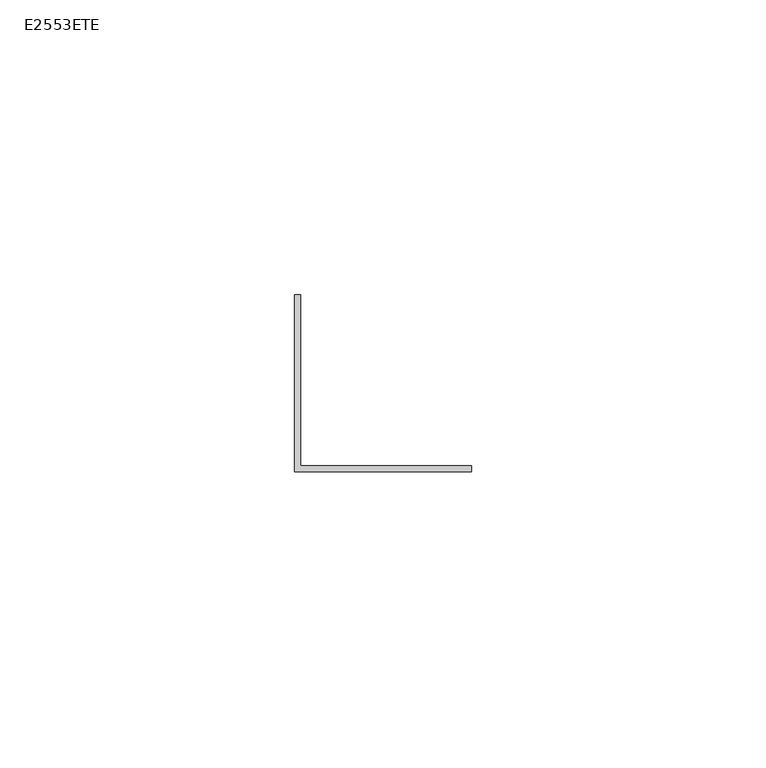
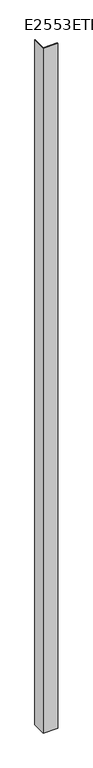
"""IFC4 building model written with IfcOpenShell, lengths in millimetres: proxy geometry, E2553ETE."""

from ifc_helpers import new_model, si_unit, origin, origin_with_axes, place, context, project, spatial, polyline, outline, extrude, source, transform, mapped, element, save


def e2553ete_bd80667c(model_context):
    return source(origin(), model_context, "Body", "SweptSolid", [
        extrude(outline(polyline([(-5.0, 25.0), (-4.0, 25.0), (-4.0, -4.0), (25.0, -4.0), (25.0, -5.0), (-5.0, -5.0), (-5.0, 25.0)])), origin_with_axes(), (0.0, 0.0, 1.0), 1500.0),
    ])


if __name__ == "__main__":
    model = new_model("IFC4")
    model_context = context("Model", 3, world=origin())
    ifc_project = project(units=[si_unit("LENGTHUNIT", "METRE", prefix="MILLI")], contexts=[model_context])
    site = spatial("IfcSite", under=ifc_project)
    building = spatial("IfcBuilding", under=site)
    placement = place(None, origin())
    e2553ete_shape = e2553ete_bd80667c(model_context)
    element("IfcBuildingElementProxy", 1, Name="E2553ETE", ObjectType="E2553ETE", at=placement, inside=building, context=model_context, shape_type="MappedRepresentation", body=[
        mapped(e2553ete_shape, transform((0.0, 0.0, 0.0), x_axis=(1.0, 0.0, 0.0), y_axis=(0.0, 1.0, 0.0), z_axis=(0.0, 0.0, 1.0))),
    ])
    save(model, "model.ifc")
